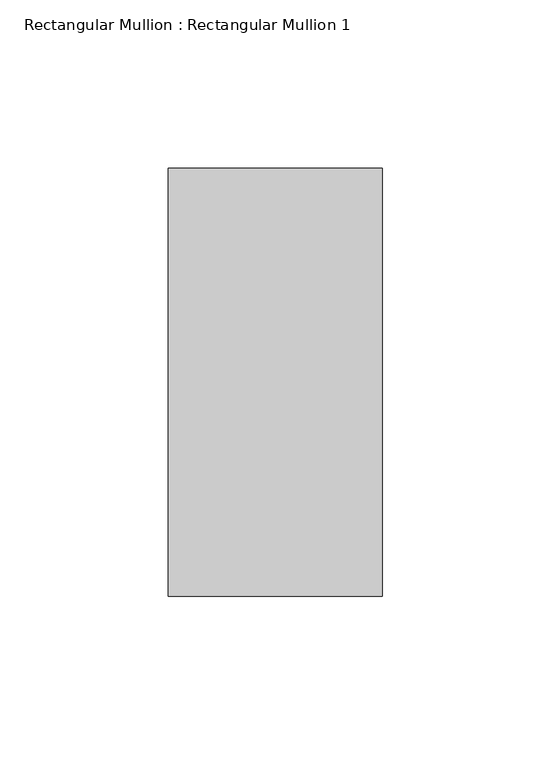
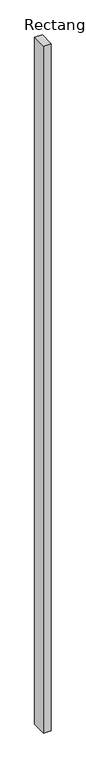
"""IFC4 building model written with IfcOpenShell, lengths in millimetres: member geometry, Rectangular Mullion : Rectangular Mullion 1."""

from ifc_helpers import new_model, si_unit, frame, origin, place, context, project, spatial, polyline, outline, extrude, source, transform, mapped, element, save


def rectangular_mullion_rectangular_mullion_1_7c03d1f1(model_context):
    return source(origin(), model_context, "Body", "SweptSolid", [
        extrude(outline(polyline([(0.0, 63.5), (0.0, -63.5), (-63.5, -63.5), (-63.5, 63.5), (0.0, 63.5)])), frame((0.0, 0.0, -6038.85), z_axis=(0.0, 0.0, 1.0), x_axis=(1.0, 0.0, 0.0)), (0.0, 0.0, 1.0), 6038.85),
    ])


if __name__ == "__main__":
    model = new_model("IFC4")
    model_context = context("Model", 3, world=origin())
    ifc_project = project(units=[si_unit("LENGTHUNIT", "METRE", prefix="MILLI")], contexts=[model_context])
    site = spatial("IfcSite", under=ifc_project)
    building = spatial("IfcBuilding", under=site)
    placement = place(None, origin())
    rectangular_mullion_rectangular_mullion_1_shape = rectangular_mullion_rectangular_mullion_1_7c03d1f1(model_context)
    element("IfcMember", 1, ObjectType="Rectangular Mullion : Rectangular Mullion 1", at=placement, inside=building, context=model_context, shape_type="MappedRepresentation", body=[
        mapped(rectangular_mullion_rectangular_mullion_1_shape, transform((0.0, 0.0, 0.0), x_axis=(1.0, 0.0, 0.0), y_axis=(0.0, 1.0, 0.0), z_axis=(0.0, 0.0, 1.0))),
    ])
    save(model, "model.ifc")
